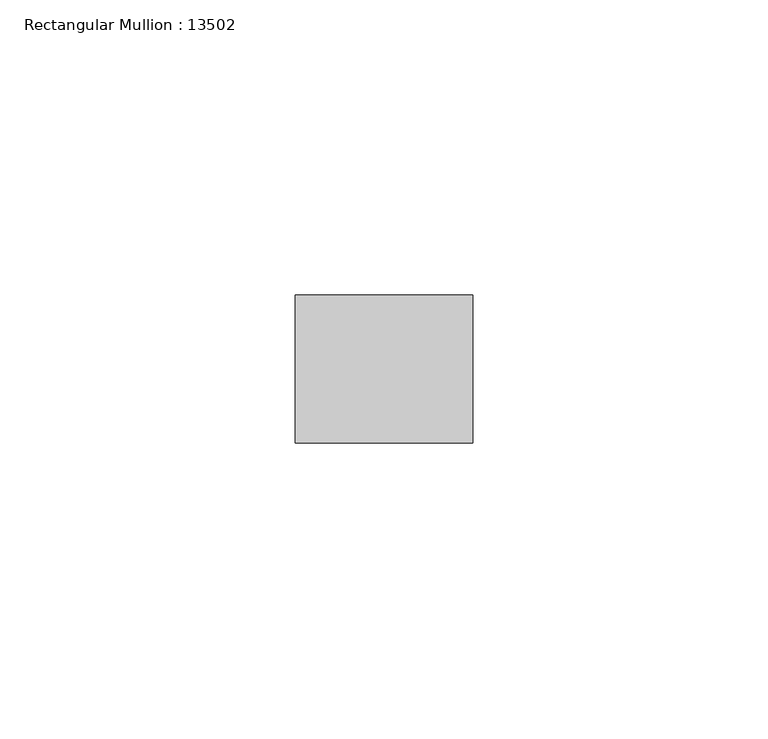
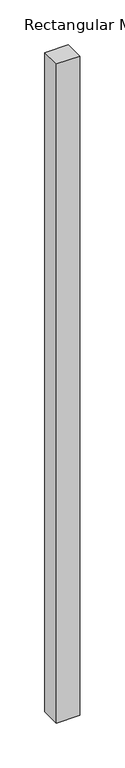
"""IFC4 building model written with IfcOpenShell, lengths in millimetres: member geometry, Rectangular Mullion : 13502."""

from ifc_helpers import new_model, si_unit, frame, origin, place, context, project, spatial, polyline, outline, extrude, source, transform, mapped, element, save


def rectangular_mullion_13502_8418f8f7(model_context):
    return source(origin(), model_context, "Body", "SweptSolid", [
        extrude(outline(polyline([(-29.9999993, -12.5), (-29.9999993, 12.5), (0.0, 12.5), (0.0, -12.5), (-29.9999993, -12.5)])), frame((0.0, 0.0, -894.0), z_axis=(0.0, 0.0, 1.0), x_axis=(1.0, 0.0, 0.0)), (0.0, 0.0, 1.0), 894.0),
    ])


if __name__ == "__main__":
    model = new_model("IFC4")
    model_context = context("Model", 3, world=origin())
    ifc_project = project(units=[si_unit("LENGTHUNIT", "METRE", prefix="MILLI")], contexts=[model_context])
    site = spatial("IfcSite", under=ifc_project)
    building = spatial("IfcBuilding", under=site)
    placement = place(None, origin())
    rectangular_mullion_13502_shape = rectangular_mullion_13502_8418f8f7(model_context)
    element("IfcMember", 1, ObjectType="Rectangular Mullion : 13502", at=placement, inside=building, context=model_context, shape_type="MappedRepresentation", body=[
        mapped(rectangular_mullion_13502_shape, transform((0.0, 0.0, 0.0), x_axis=(1.0, 0.0, 0.0), y_axis=(0.0, 1.0, 0.0), z_axis=(0.0, 0.0, 1.0))),
    ])
    save(model, "model.ifc")
